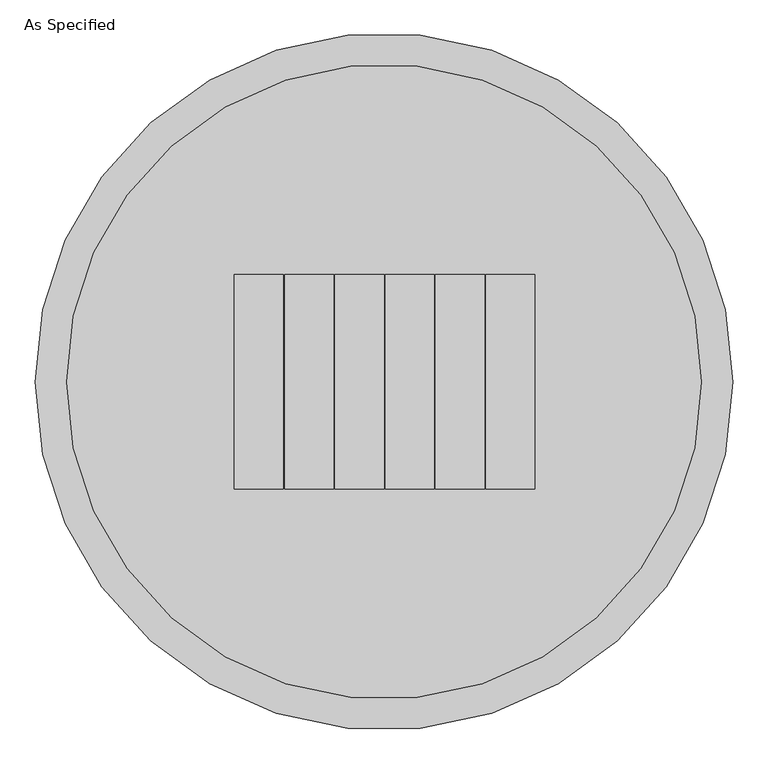
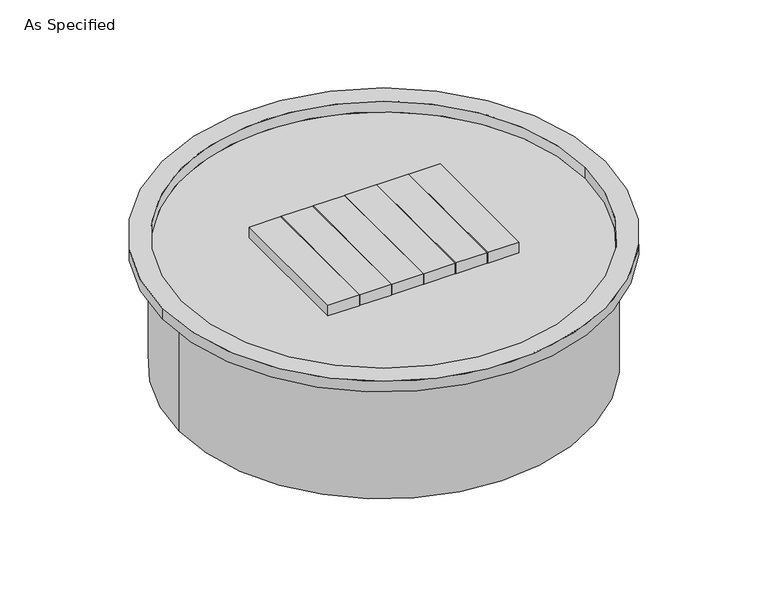
"""IFC4 building model written with IfcOpenShell, lengths in millimetres: proxy geometry, As Specified."""

from ifc_helpers import new_model, si_unit, frame, origin, place, context, project, spatial, polyline, circle_curve, source, transform, mapped, element, save
from ifc_brep_helpers import plane_surface, cylinder_surface, revolved_surface, advanced_brep


def as_specified_461ebb5d(model_context):
    return source(origin(), model_context, "Body", "AdvancedBrep", [
        advanced_brep(
        [(495.3, 0.0, 25.4), (-495.3, 0.0, 25.4), (450.85, 0.0, 25.4), (-450.85, 0.0, 25.4), (-142.7479982, 152.4000019, 25.4), (-212.597996, 152.4000019, 25.4), (-212.597996, -152.4000019, 25.4), (-142.7479982, -152.4000019, 25.4), (-71.3739991, -152.4000019, 25.4), (-71.3739991, 152.4000019, 25.4), (-141.2239969, 152.4000019, 25.4), (-141.2239969, -152.4000019, 25.4), (0.0, 152.4000019, 25.4), (-69.8499978, 152.4000019, 25.4), (-69.8499978, -152.4000019, 25.4), (0.0, -152.4000019, 25.4), (71.3739991, -152.4000019, 25.4), (71.3739991, 152.4000019, 25.4), (1.524, 152.4000019, 25.4), (1.524, -152.4000019, 25.4), (142.7479982, 152.4000019, 25.4), (72.8980005, 152.4000019, 25.4), (72.8980005, -152.4000019, 25.4), (142.7479982, -152.4000019, 25.4), (214.1219974, -152.4000019, 25.4), (214.1219974, 152.4000019, 25.4), (144.2719996, 152.4000019, 25.4), (144.2719996, -152.4000019, 25.4), (495.3, 0.0, 0.0), (-495.3, 0.0, 0.0), (-457.2, 0.0, 0.0), (457.2, 0.0, 0.0), (-457.2, 0.0, -279.4), (457.2, 0.0, -279.4), (-450.85, 0.0, 0.0), (450.85, 0.0, 0.0), (-212.597996, 152.4000019, 0.0), (-142.7479982, 152.4000019, 0.0), (-142.7479982, -152.4000019, 0.0), (-212.597996, -152.4000019, 0.0), (-71.3739991, 152.4000019, 0.0), (-71.3739991, -152.4000019, 0.0), (-141.2239969, -152.4000019, 0.0), (-141.2239969, 152.4000019, 0.0), (-69.8499978, 152.4000019, 0.0), (0.0, 152.4000019, 0.0), (0.0, -152.4000019, 0.0), (-69.8499978, -152.4000019, 0.0), (71.3739991, 152.4000019, 0.0), (71.3739991, -152.4000019, 0.0), (1.524, -152.4000019, 0.0), (1.524, 152.4000019, 0.0), (72.8980005, 152.4000019, 0.0), (142.7479982, 152.4000019, 0.0), (142.7479982, -152.4000019, 0.0), (72.8980005, -152.4000019, 0.0), (214.1219974, 152.4000019, 0.0), (214.1219974, -152.4000019, 0.0), (144.2719996, -152.4000019, 0.0), (144.2719996, 152.4000019, 0.0)],
        [
            (0, 1, circle_curve(frame((0.0, 0.0, 25.4), z_axis=(0.0, 0.0, 1.0), x_axis=(-1.0, 0.0, 0.0)), 495.3)),
            (1, 0, circle_curve(frame((0.0, 0.0, 25.4), z_axis=(0.0, 0.0, 1.0), x_axis=(-1.0, 0.0, 0.0)), 495.3)),
            (2, 3, circle_curve(frame((0.0, 0.0, 25.4), z_axis=(0.0, 0.0, -1.0), x_axis=(-1.0, 0.0, 0.0)), 450.85)),
            (3, 2, circle_curve(frame((0.0, 0.0, 25.4), z_axis=(0.0, 0.0, -1.0), x_axis=(-1.0, 0.0, 0.0)), 450.85)),
            (4, 5),
            (5, 6),
            (6, 7),
            (7, 4),
            (8, 9),
            (9, 10),
            (10, 11),
            (11, 8),
            (12, 13),
            (13, 14),
            (14, 15),
            (15, 12),
            (16, 17),
            (17, 18),
            (18, 19),
            (19, 16),
            (20, 21),
            (21, 22),
            (22, 23),
            (23, 20),
            (24, 25),
            (25, 26),
            (26, 27),
            (27, 24),
            (28, 29, circle_curve(frame((0.0, 0.0, 0.0), z_axis=(0.0, 0.0, -1.0), x_axis=(-1.0, 0.0, 0.0)), 495.3)),
            (29, 28, circle_curve(frame((0.0, 0.0, 0.0), z_axis=(0.0, 0.0, -1.0), x_axis=(-1.0, 0.0, 0.0)), 495.3)),
            (30, 31, circle_curve(frame((0.0, 0.0, 0.0), z_axis=(0.0, 0.0, 1.0), x_axis=(-1.0, 0.0, 0.0)), 457.2)),
            (31, 30, circle_curve(frame((0.0, 0.0, 0.0), z_axis=(0.0, 0.0, 1.0), x_axis=(-1.0, 0.0, 0.0)), 457.2)),
            (32, 33, circle_curve(frame((0.0, 0.0, -279.4), z_axis=(0.0, 0.0, -1.0), x_axis=(-1.0, 0.0, 0.0)), 457.2)),
            (33, 32, circle_curve(frame((0.0, 0.0, -279.4), z_axis=(0.0, 0.0, -1.0), x_axis=(-1.0, 0.0, 0.0)), 457.2)),
            (34, 35, circle_curve(frame((0.0, 0.0, 0.0), z_axis=(0.0, 0.0, 1.0), x_axis=(-1.0, 0.0, 0.0)), 450.85)),
            (35, 34, circle_curve(frame((0.0, 0.0, 0.0), z_axis=(0.0, 0.0, 1.0), x_axis=(-1.0, 0.0, 0.0)), 450.85)),
            (36, 37),
            (37, 38),
            (38, 39),
            (39, 36),
            (40, 41),
            (41, 42),
            (42, 43),
            (43, 40),
            (44, 45),
            (45, 46),
            (46, 47),
            (47, 44),
            (48, 49),
            (49, 50),
            (50, 51),
            (51, 48),
            (52, 53),
            (53, 54),
            (54, 55),
            (55, 52),
            (56, 57),
            (57, 58),
            (58, 59),
            (59, 56),
            (33, 31),
            (30, 32),
            (0, 28),
            (29, 1),
            (2, 35),
            (34, 3),
            (4, 37),
            (36, 5),
            (39, 6),
            (38, 7),
            (8, 41),
            (40, 9),
            (43, 10),
            (42, 11),
            (12, 45),
            (44, 13),
            (47, 14),
            (46, 15),
            (16, 49),
            (48, 17),
            (51, 18),
            (50, 19),
            (20, 53),
            (52, 21),
            (55, 22),
            (54, 23),
            (24, 57),
            (56, 25),
            (59, 26),
            (58, 27),
        ],
        [
            plane_surface(frame((-495.3, 0.0, 25.4), z_axis=(0.0, 0.0, 1.0), x_axis=(0.0, -1.0, 0.0))),
            plane_surface(frame((-495.3, 0.0, 0.0), z_axis=(0.0, 0.0, -1.0), x_axis=(0.0, 1.0, 0.0))),
            plane_surface(frame((-457.2, 0.0, -279.4), z_axis=(0.0, 0.0, -1.0), x_axis=(0.0, 1.0, 0.0))),
            plane_surface(frame((-457.2, 0.0, 0.0), z_axis=(0.0, 0.0, 1.0), x_axis=(0.0, -1.0, 0.0))),
            cylinder_surface(frame((0.0, 0.0, -279.4), z_axis=(0.0, 0.0, 1.0), x_axis=(-1.0, 0.0, 0.0)), 457.2),
            cylinder_surface(frame((0.0, 0.0, 0.0), z_axis=(0.0, 0.0, 1.0), x_axis=(-1.0, 0.0, 0.0)), 495.3),
            revolved_surface(polyline([(-450.85, 0.0, 0.0), (-450.85, 0.0, 25.4)]), (0.0, 0.0, 0.0), (0.0, 0.0, -1.0)),
            plane_surface(frame((-142.7479982, 152.4000019, 25.4), z_axis=(0.0, 1.0, 0.0), x_axis=(0.0, 0.0, -1.0))),
            plane_surface(frame((-212.597996, 152.4000019, 25.4), z_axis=(-1.0, 0.0, 0.0), x_axis=(0.0, 0.0, -1.0))),
            plane_surface(frame((-212.597996, -152.4000019, 25.4), z_axis=(0.0, -1.0, 0.0), x_axis=(0.0, 0.0, -1.0))),
            plane_surface(frame((-142.7479982, -152.4000019, 25.4), z_axis=(1.0, 0.0, 0.0), x_axis=(0.0, 0.0, -1.0))),
            plane_surface(frame((-71.3739991, -152.4000019, 25.4), z_axis=(1.0, 0.0, 0.0), x_axis=(0.0, 0.0, -1.0))),
            plane_surface(frame((-71.3739991, 152.4000019, 25.4), z_axis=(0.0, 1.0, 0.0), x_axis=(0.0, 0.0, -1.0))),
            plane_surface(frame((-141.2239969, 152.4000019, 25.4), z_axis=(-1.0, 0.0, 0.0), x_axis=(0.0, 0.0, -1.0))),
            plane_surface(frame((-141.2239969, -152.4000019, 25.4), z_axis=(0.0, -1.0, 0.0), x_axis=(0.0, 0.0, -1.0))),
            plane_surface(frame((0.0, 152.4000019, 25.4), z_axis=(0.0, 1.0, 0.0), x_axis=(0.0, 0.0, -1.0))),
            plane_surface(frame((-69.8499978, 152.4000019, 25.4), z_axis=(-1.0, 0.0, 0.0), x_axis=(0.0, 0.0, -1.0))),
            plane_surface(frame((-69.8499978, -152.4000019, 25.4), z_axis=(0.0, -1.0, 0.0), x_axis=(0.0, 0.0, -1.0))),
            plane_surface(frame((0.0, -152.4000019, 25.4), z_axis=(1.0, 0.0, 0.0), x_axis=(0.0, 0.0, -1.0))),
            plane_surface(frame((71.3739991, -152.4000019, 25.4), z_axis=(1.0, 0.0, 0.0), x_axis=(0.0, 0.0, -1.0))),
            plane_surface(frame((71.3739991, 152.4000019, 25.4), z_axis=(0.0, 1.0, 0.0), x_axis=(0.0, 0.0, -1.0))),
            plane_surface(frame((1.524, 152.4000019, 25.4), z_axis=(-1.0, 0.0, 0.0), x_axis=(0.0, 0.0, -1.0))),
            plane_surface(frame((1.524, -152.4000019, 25.4), z_axis=(0.0, -1.0, 0.0), x_axis=(0.0, 0.0, -1.0))),
            plane_surface(frame((142.7479982, 152.4000019, 25.4), z_axis=(0.0, 1.0, 0.0), x_axis=(0.0, 0.0, -1.0))),
            plane_surface(frame((72.8980005, 152.4000019, 25.4), z_axis=(-1.0, 0.0, 0.0), x_axis=(0.0, 0.0, -1.0))),
            plane_surface(frame((72.8980005, -152.4000019, 25.4), z_axis=(0.0, -1.0, 0.0), x_axis=(0.0, 0.0, -1.0))),
            plane_surface(frame((142.7479982, -152.4000019, 25.4), z_axis=(1.0, 0.0, 0.0), x_axis=(0.0, 0.0, -1.0))),
            plane_surface(frame((214.1219974, -152.4000019, 25.4), z_axis=(1.0, 0.0, 0.0), x_axis=(0.0, 0.0, -1.0))),
            plane_surface(frame((214.1219974, 152.4000019, 25.4), z_axis=(0.0, 1.0, 0.0), x_axis=(0.0, 0.0, -1.0))),
            plane_surface(frame((144.2719996, 152.4000019, 25.4), z_axis=(-1.0, 0.0, 0.0), x_axis=(0.0, 0.0, -1.0))),
            plane_surface(frame((144.2719996, -152.4000019, 25.4), z_axis=(0.0, -1.0, 0.0), x_axis=(0.0, 0.0, -1.0))),
        ],
        [
            (0, [[1, 2], [3, 4]]),
            (0, [[5, 6, 7, 8]]),
            (0, [[9, 10, 11, 12]]),
            (0, [[13, 14, 15, 16]]),
            (0, [[17, 18, 19, 20]]),
            (0, [[21, 22, 23, 24]]),
            (0, [[25, 26, 27, 28]]),
            (1, [[29, 30], [31, 32]]),
            (2, [[33, 34]]),
            (3, [[35, 36], [37, 38, 39, 40], [41, 42, 43, 44], [45, 46, 47, 48], [49, 50, 51, 52], [53, 54, 55, 56], [57, 58, 59, 60]]),
            (4, [[-34, 61, -31, 62]]),
            (4, [[-33, -62, -32, -61]]),
            (5, [[-1, 63, -30, 64]]),
            (5, [[-2, -64, -29, -63]]),
            (6, [[-3, 65, -35, 66]]),
            (6, [[-4, -66, -36, -65]]),
            (7, [[-5, 67, -37, 68]]),
            (8, [[-6, -68, -40, 69]]),
            (9, [[-7, -69, -39, 70]]),
            (10, [[-8, -70, -38, -67]]),
            (11, [[-9, 71, -41, 72]]),
            (12, [[-10, -72, -44, 73]]),
            (13, [[-11, -73, -43, 74]]),
            (14, [[-12, -74, -42, -71]]),
            (15, [[-13, 75, -45, 76]]),
            (16, [[-14, -76, -48, 77]]),
            (17, [[-15, -77, -47, 78]]),
            (18, [[-16, -78, -46, -75]]),
            (19, [[-17, 79, -49, 80]]),
            (20, [[-18, -80, -52, 81]]),
            (21, [[-19, -81, -51, 82]]),
            (22, [[-20, -82, -50, -79]]),
            (23, [[-21, 83, -53, 84]]),
            (24, [[-22, -84, -56, 85]]),
            (25, [[-23, -85, -55, 86]]),
            (26, [[-24, -86, -54, -83]]),
            (27, [[-25, 87, -57, 88]]),
            (28, [[-26, -88, -60, 89]]),
            (29, [[-27, -89, -59, 90]]),
            (30, [[-28, -90, -58, -87]]),
        ],
    ),
    ])


if __name__ == "__main__":
    model = new_model("IFC4")
    model_context = context("Model", 3, world=origin())
    ifc_project = project(units=[si_unit("LENGTHUNIT", "METRE", prefix="MILLI")], contexts=[model_context])
    site = spatial("IfcSite", under=ifc_project)
    building = spatial("IfcBuilding", under=site)
    placement = place(None, origin())
    as_specified_shape = as_specified_461ebb5d(model_context)
    element("IfcBuildingElementProxy", 1, Name="As Specified", ObjectType="As Specified", at=placement, inside=building, context=model_context, shape_type="MappedRepresentation", body=[
        mapped(as_specified_shape, transform((0.0, 0.0, 0.0), x_axis=(1.0, 0.0, 0.0), y_axis=(0.0, 1.0, 0.0), z_axis=(0.0, 0.0, 1.0))),
    ])
    save(model, "model.ifc")
